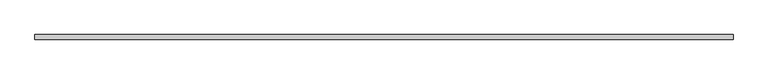
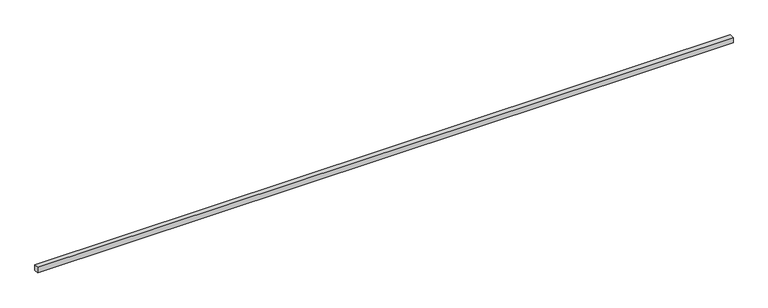
"""IFC4 building model written with IfcOpenShell, lengths in millimetres: proxy geometry."""

import ifcopenshell
import ifcopenshell.guid

model = None  # the IFC model being written
_history = None  # IfcOwnerHistory: only IFC2X3 demands one
_inside = {}  # id of a spatial element -> (the spatial element, [elements in it])
_under = {}  # id of a project, library or spatial element -> (it, [spatial elements below it])
_declared = {}  # id of a project -> (the project, [libraries it declares])
_typed = {}  # id of a type object -> (the type object, [elements of that type])
_made_of = {}  # id of a material, layer set ... -> (it, [elements and type objects made of it])


def new_model(schema):
    """Start an empty IFC model of exactly this schema.

    Asked for "IFC4X3", IfcOpenShell would pick the latest addendum, in which some entities
    have other attributes; the version numbers below select the first issue.
    IFC2X3 requires an IfcOwnerHistory on every rooted entity: one is made here for all.
    """
    global model, _history
    if schema == "IFC4X3":
        model = ifcopenshell.file(schema_version=(4, 3, 0, 0))
    else:
        model = ifcopenshell.file(schema=schema)
    _inside.clear()
    _under.clear()
    _declared.clear()
    _typed.clear()
    _made_of.clear()
    _history = None
    if model.schema == "IFC2X3":
        org = make("IfcOrganization", Name="unknown")
        user = make(
            "IfcPersonAndOrganization",
            ThePerson=make("IfcPerson", FamilyName="unknown"),
            TheOrganization=org,
        )
        app = make(
            "IfcApplication",
            ApplicationDeveloper=org,
            Version="unknown",
            ApplicationFullName="unknown",
            ApplicationIdentifier="unknown",
        )
        _history = make(
            "IfcOwnerHistory",
            OwningUser=user,
            OwningApplication=app,
            ChangeAction="ADDED",
            CreationDate=0,
        )
    return model


def make(cls, **values):
    """One entity of the class cls with the attributes given. An attribute that is None is left unset."""
    return model.create_entity(
        cls, **{name: value for name, value in values.items() if value is not None}
    )


def rooted(cls, **values):
    """An entity with a GlobalId (a new one), such as an element, a storey or a relation."""
    return make(cls, GlobalId=ifcopenshell.guid.new(), OwnerHistory=_history, **values)


def si_unit(unit_type, name, prefix=None):
    """IfcSIUnit, for example si_unit("LENGTHUNIT", "METRE", prefix="MILLI")."""
    return make("IfcSIUnit", UnitType=unit_type, Prefix=prefix, Name=name)


def assignment(units):
    """IfcUnitAssignment: the units of a project."""
    return None if units is None else make("IfcUnitAssignment", Units=units)


def point(xyz):
    """IfcCartesianPoint."""
    return None if xyz is None else make("IfcCartesianPoint", Coordinates=xyz)


def direction(xyz):
    """IfcDirection."""
    return None if xyz is None else make("IfcDirection", DirectionRatios=xyz)


def frame(location, z_axis=None, x_axis=None):
    """IfcAxis2Placement3D, a coordinate frame: its origin and axes. An axis left out is left unset."""
    return make(
        "IfcAxis2Placement3D",
        Location=point(location),
        Axis=direction(z_axis),
        RefDirection=direction(x_axis),
    )


def origin():
    """The frame at (0, 0, 0) with its axes left unset."""
    return frame((0.0, 0.0, 0.0))


def origin_with_axes():
    """The frame at (0, 0, 0) with the z axis (0, 0, 1) and the x axis (1, 0, 0) written out."""
    return frame((0.0, 0.0, 0.0), z_axis=(0.0, 0.0, 1.0), x_axis=(1.0, 0.0, 0.0))


def place(relative_to, where):
    """IfcLocalPlacement: puts the frame where relative to a parent placement (None: the world)."""
    return make(
        "IfcLocalPlacement", PlacementRelTo=relative_to, RelativePlacement=where
    )


def context(
    kind, dimensions, precision=None, world=None, true_north=None, identifier=None
):
    """IfcGeometricRepresentationContext, for example the 3D "Model" context."""
    return make(
        "IfcGeometricRepresentationContext",
        ContextIdentifier=identifier,
        ContextType=kind,
        CoordinateSpaceDimension=dimensions,
        Precision=precision,
        WorldCoordinateSystem=world,
        TrueNorth=true_north,
    )


def project(units=None, contexts=None):
    """IfcProject with its units and contexts."""
    return rooted(
        "IfcProject",
        Name="project",
        RepresentationContexts=contexts,
        UnitsInContext=assignment(units),
    )


def spatial(cls, under=None, at=None, **own):
    """A site, building, storey or space (cls), placed at a placement, below another one or the project."""
    s = rooted(cls, ObjectPlacement=at, **own)
    if under is not None:
        _under.setdefault(under.id(), (under, []))[1].append(s)
    return s


def polyline(points):
    """IfcPolyline through the points."""
    return make("IfcPolyline", Points=[point(p) for p in points])


def outline(outer, holes=None, kind="AREA"):
    """IfcArbitraryClosedProfileDef: a profile drawn as a closed curve; with holes, ...WithVoids."""
    if holes is None:
        return make("IfcArbitraryClosedProfileDef", ProfileType=kind, OuterCurve=outer)
    return make(
        "IfcArbitraryProfileDefWithVoids",
        ProfileType=kind,
        OuterCurve=outer,
        InnerCurves=holes,
    )


def extrude(swept, where, along, depth):
    """IfcExtrudedAreaSolid: the profile swept, set in the frame where, extruded along a direction by depth."""
    return make(
        "IfcExtrudedAreaSolid",
        SweptArea=swept,
        Position=where,
        ExtrudedDirection=direction(along),
        Depth=depth,
    )


def shape(context_of_items, identifier, shape_type, items):
    """IfcShapeRepresentation: the items that make up one representation, for example the "Body"."""
    return make(
        "IfcShapeRepresentation",
        ContextOfItems=context_of_items,
        RepresentationIdentifier=identifier,
        RepresentationType=shape_type,
        Items=items,
    )


def source(mapping_origin, context_of_items, identifier, shape_type, items):
    """IfcRepresentationMap: a shape defined once, which mapped items show again and again."""
    return make(
        "IfcRepresentationMap",
        MappingOrigin=mapping_origin,
        MappedRepresentation=shape(context_of_items, identifier, shape_type, items),
    )


def transform(
    local_origin,
    x_axis=None,
    y_axis=None,
    z_axis=None,
    scale=None,
    scale2=None,
    scale3=None,
    uniform=True,
):
    """IfcCartesianTransformationOperator3D, or its non-uniform kind. x_axis, y_axis, z_axis: its Axis1, 2, 3."""
    if uniform:
        return make(
            "IfcCartesianTransformationOperator3D",
            Axis1=direction(x_axis),
            Axis2=direction(y_axis),
            LocalOrigin=point(local_origin),
            Scale=scale,
            Axis3=direction(z_axis),
        )
    return make(
        "IfcCartesianTransformationOperator3DnonUniform",
        Axis1=direction(x_axis),
        Axis2=direction(y_axis),
        LocalOrigin=point(local_origin),
        Scale=scale,
        Axis3=direction(z_axis),
        Scale2=scale2,
        Scale3=scale3,
    )


def mapped(mapping_source, mapping_target):
    """IfcMappedItem: shows the shape of a source again, moved by a transform."""
    return make(
        "IfcMappedItem", MappingSource=mapping_source, MappingTarget=mapping_target
    )


def made_of(thing, what):
    """Note that an element or type object is made of a material, layer set ...; save() writes the relation."""
    if what is not None:
        _made_of.setdefault(what.id(), (what, []))[1].append(thing)
    return thing


def element(
    cls,
    number,
    at=None,
    inside=None,
    cuts=None,
    type_object=None,
    material=None,
    context=None,
    identifier="Body",
    shape_type=None,
    held_by="IfcProductDefinitionShape",
    body=None,
    shapes=None,
    **own,
):
    """One element of the class cls, such as IfcWall. Its Tag is "e" and its number.

    at: its placement. inside: the storey or other place that contains it. cuts: it is an
    opening in that element (IfcRelVoidsElement). A single representation is given by context,
    identifier, shape_type and body (its items); several are given by shapes. held_by: the class
    of the entity that holds the representations. save() writes the other relations.
    """
    e = rooted(cls, Tag="e%d" % number, ObjectPlacement=at, **own)
    if body is not None:
        shapes = [shape(context, identifier, shape_type, body)]
    if shapes is not None:
        e.Representation = make(held_by, Representations=shapes)
    if inside is not None:
        _inside.setdefault(inside.id(), (inside, []))[1].append(e)
    if cuts is not None:
        rooted(
            "IfcRelVoidsElement", RelatingBuildingElement=cuts, RelatedOpeningElement=e
        )
    if type_object is not None:
        _typed.setdefault(type_object.id(), (type_object, []))[1].append(e)
    return made_of(e, material)


def aggregate(whole, parts):
    """IfcRelAggregates: a whole, such as a stair, and the parts it consists of."""
    return rooted("IfcRelAggregates", RelatingObject=whole, RelatedObjects=parts)


def save(model, path):
    """Write the relations noted so far, then the file.

    IfcRelAggregates (storeys below a building ...), IfcRelContainedInSpatialStructure (elements
    in a storey), IfcRelDefinesByType, IfcRelAssociatesMaterial and IfcRelDeclares: one each for
    every whole, place, type object, material and project.
    """
    for whole, parts in _under.values():
        aggregate(whole, parts)
    for where, things in _inside.values():
        rooted(
            "IfcRelContainedInSpatialStructure",
            RelatedElements=things,
            RelatingStructure=where,
        )
    for kind, things in _typed.values():
        rooted("IfcRelDefinesByType", RelatedObjects=things, RelatingType=kind)
    for what, things in _made_of.values():
        rooted("IfcRelAssociatesMaterial", RelatedObjects=things, RelatingMaterial=what)
    for by, libraries in _declared.values():
        rooted("IfcRelDeclares", RelatingContext=by, RelatedDefinitions=libraries)
    model.write(path)


def generic_models_f5058e55(model_context):
    return source(origin(), model_context, "Body", "SweptSolid", [
        extrude(outline(polyline([(12080.0, -40.0), (0.0, -40.0), (0.0, 40.0), (12080.0, 40.0), (12080.0, -40.0)])), origin_with_axes(), (0.0, 0.0, 1.0), 100.0),
    ])


if __name__ == "__main__":
    model = new_model("IFC4")
    model_context = context("Model", 3, world=origin())
    ifc_project = project(units=[si_unit("LENGTHUNIT", "METRE", prefix="MILLI")], contexts=[model_context])
    site = spatial("IfcSite", under=ifc_project)
    building = spatial("IfcBuilding", under=site)
    placement = place(None, origin())
    generic_models_shape = generic_models_f5058e55(model_context)
    element("IfcBuildingElementProxy", 1, Name="Generic Models", at=placement, inside=building, context=model_context, shape_type="MappedRepresentation", body=[
        mapped(generic_models_shape, transform((0.0, 0.0, 0.0), x_axis=(1.0, 0.0, 0.0), y_axis=(0.0, 1.0, 0.0), z_axis=(0.0, 0.0, 1.0))),
    ])
    save(model, "model.ifc")
